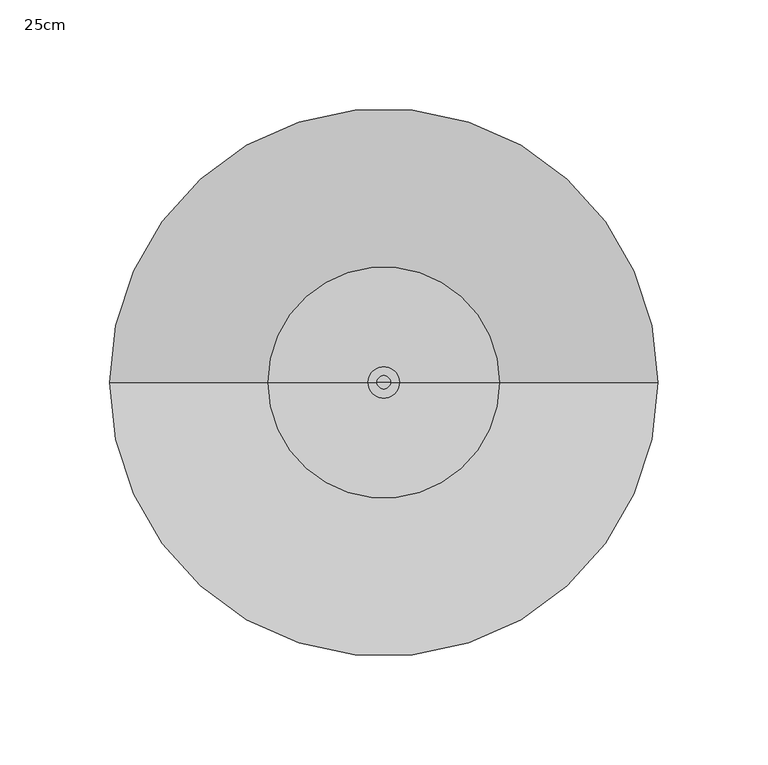
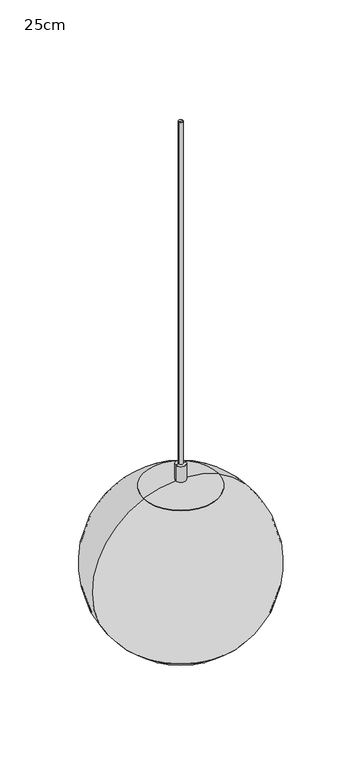
"""IFC4 building model written with IfcOpenShell, lengths in millimetres: furniture geometry, 25cm."""

import ifcopenshell
import ifcopenshell.guid

model = None  # the IFC model being written
_history = None  # IfcOwnerHistory: only IFC2X3 demands one
_inside = {}  # id of a spatial element -> (the spatial element, [elements in it])
_under = {}  # id of a project, library or spatial element -> (it, [spatial elements below it])
_declared = {}  # id of a project -> (the project, [libraries it declares])
_typed = {}  # id of a type object -> (the type object, [elements of that type])
_made_of = {}  # id of a material, layer set ... -> (it, [elements and type objects made of it])


def new_model(schema):
    """Start an empty IFC model of exactly this schema.

    Asked for "IFC4X3", IfcOpenShell would pick the latest addendum, in which some entities
    have other attributes; the version numbers below select the first issue.
    IFC2X3 requires an IfcOwnerHistory on every rooted entity: one is made here for all.
    """
    global model, _history
    if schema == "IFC4X3":
        model = ifcopenshell.file(schema_version=(4, 3, 0, 0))
    else:
        model = ifcopenshell.file(schema=schema)
    _inside.clear()
    _under.clear()
    _declared.clear()
    _typed.clear()
    _made_of.clear()
    _history = None
    if model.schema == "IFC2X3":
        org = make("IfcOrganization", Name="unknown")
        user = make(
            "IfcPersonAndOrganization",
            ThePerson=make("IfcPerson", FamilyName="unknown"),
            TheOrganization=org,
        )
        app = make(
            "IfcApplication",
            ApplicationDeveloper=org,
            Version="unknown",
            ApplicationFullName="unknown",
            ApplicationIdentifier="unknown",
        )
        _history = make(
            "IfcOwnerHistory",
            OwningUser=user,
            OwningApplication=app,
            ChangeAction="ADDED",
            CreationDate=0,
        )
    return model


def make(cls, **values):
    """One entity of the class cls with the attributes given. An attribute that is None is left unset."""
    return model.create_entity(
        cls, **{name: value for name, value in values.items() if value is not None}
    )


def rooted(cls, **values):
    """An entity with a GlobalId (a new one), such as an element, a storey or a relation."""
    return make(cls, GlobalId=ifcopenshell.guid.new(), OwnerHistory=_history, **values)


def si_unit(unit_type, name, prefix=None):
    """IfcSIUnit, for example si_unit("LENGTHUNIT", "METRE", prefix="MILLI")."""
    return make("IfcSIUnit", UnitType=unit_type, Prefix=prefix, Name=name)


def assignment(units):
    """IfcUnitAssignment: the units of a project."""
    return None if units is None else make("IfcUnitAssignment", Units=units)


def point(xyz):
    """IfcCartesianPoint."""
    return None if xyz is None else make("IfcCartesianPoint", Coordinates=xyz)


def direction(xyz):
    """IfcDirection."""
    return None if xyz is None else make("IfcDirection", DirectionRatios=xyz)


def frame(location, z_axis=None, x_axis=None):
    """IfcAxis2Placement3D, a coordinate frame: its origin and axes. An axis left out is left unset."""
    return make(
        "IfcAxis2Placement3D",
        Location=point(location),
        Axis=direction(z_axis),
        RefDirection=direction(x_axis),
    )


def origin():
    """The frame at (0, 0, 0) with its axes left unset."""
    return frame((0.0, 0.0, 0.0))


def place(relative_to, where):
    """IfcLocalPlacement: puts the frame where relative to a parent placement (None: the world)."""
    return make(
        "IfcLocalPlacement", PlacementRelTo=relative_to, RelativePlacement=where
    )


def context(
    kind, dimensions, precision=None, world=None, true_north=None, identifier=None
):
    """IfcGeometricRepresentationContext, for example the 3D "Model" context."""
    return make(
        "IfcGeometricRepresentationContext",
        ContextIdentifier=identifier,
        ContextType=kind,
        CoordinateSpaceDimension=dimensions,
        Precision=precision,
        WorldCoordinateSystem=world,
        TrueNorth=true_north,
    )


def project(units=None, contexts=None):
    """IfcProject with its units and contexts."""
    return rooted(
        "IfcProject",
        Name="project",
        RepresentationContexts=contexts,
        UnitsInContext=assignment(units),
    )


def spatial(cls, under=None, at=None, **own):
    """A site, building, storey or space (cls), placed at a placement, below another one or the project."""
    s = rooted(cls, ObjectPlacement=at, **own)
    if under is not None:
        _under.setdefault(under.id(), (under, []))[1].append(s)
    return s


def polyline(points):
    """IfcPolyline through the points."""
    return make("IfcPolyline", Points=[point(p) for p in points])


def circle_curve(where, radius):
    """IfcCircle in the frame where."""
    return make("IfcCircle", Position=where, Radius=radius)


def ellipse_curve(where, semi_axis1, semi_axis2):
    """IfcEllipse in the frame where."""
    return make(
        "IfcEllipse", Position=where, SemiAxis1=semi_axis1, SemiAxis2=semi_axis2
    )


def trimmed(basis, trim1, trim2, sense, master):
    """IfcTrimmedCurve: the piece of a basis curve between two trims."""
    return make(
        "IfcTrimmedCurve",
        BasisCurve=basis,
        Trim1=trim1,
        Trim2=trim2,
        SenseAgreement=sense,
        MasterRepresentation=master,
    )


def shape(context_of_items, identifier, shape_type, items):
    """IfcShapeRepresentation: the items that make up one representation, for example the "Body"."""
    return make(
        "IfcShapeRepresentation",
        ContextOfItems=context_of_items,
        RepresentationIdentifier=identifier,
        RepresentationType=shape_type,
        Items=items,
    )


def source(mapping_origin, context_of_items, identifier, shape_type, items):
    """IfcRepresentationMap: a shape defined once, which mapped items show again and again."""
    return make(
        "IfcRepresentationMap",
        MappingOrigin=mapping_origin,
        MappedRepresentation=shape(context_of_items, identifier, shape_type, items),
    )


def transform(
    local_origin,
    x_axis=None,
    y_axis=None,
    z_axis=None,
    scale=None,
    scale2=None,
    scale3=None,
    uniform=True,
):
    """IfcCartesianTransformationOperator3D, or its non-uniform kind. x_axis, y_axis, z_axis: its Axis1, 2, 3."""
    if uniform:
        return make(
            "IfcCartesianTransformationOperator3D",
            Axis1=direction(x_axis),
            Axis2=direction(y_axis),
            LocalOrigin=point(local_origin),
            Scale=scale,
            Axis3=direction(z_axis),
        )
    return make(
        "IfcCartesianTransformationOperator3DnonUniform",
        Axis1=direction(x_axis),
        Axis2=direction(y_axis),
        LocalOrigin=point(local_origin),
        Scale=scale,
        Axis3=direction(z_axis),
        Scale2=scale2,
        Scale3=scale3,
    )


def mapped(mapping_source, mapping_target):
    """IfcMappedItem: shows the shape of a source again, moved by a transform."""
    return make(
        "IfcMappedItem", MappingSource=mapping_source, MappingTarget=mapping_target
    )


def made_of(thing, what):
    """Note that an element or type object is made of a material, layer set ...; save() writes the relation."""
    if what is not None:
        _made_of.setdefault(what.id(), (what, []))[1].append(thing)
    return thing


def element(
    cls,
    number,
    at=None,
    inside=None,
    cuts=None,
    type_object=None,
    material=None,
    context=None,
    identifier="Body",
    shape_type=None,
    held_by="IfcProductDefinitionShape",
    body=None,
    shapes=None,
    **own,
):
    """One element of the class cls, such as IfcWall. Its Tag is "e" and its number.

    at: its placement. inside: the storey or other place that contains it. cuts: it is an
    opening in that element (IfcRelVoidsElement). A single representation is given by context,
    identifier, shape_type and body (its items); several are given by shapes. held_by: the class
    of the entity that holds the representations. save() writes the other relations.
    """
    e = rooted(cls, Tag="e%d" % number, ObjectPlacement=at, **own)
    if body is not None:
        shapes = [shape(context, identifier, shape_type, body)]
    if shapes is not None:
        e.Representation = make(held_by, Representations=shapes)
    if inside is not None:
        _inside.setdefault(inside.id(), (inside, []))[1].append(e)
    if cuts is not None:
        rooted(
            "IfcRelVoidsElement", RelatingBuildingElement=cuts, RelatedOpeningElement=e
        )
    if type_object is not None:
        _typed.setdefault(type_object.id(), (type_object, []))[1].append(e)
    return made_of(e, material)


def aggregate(whole, parts):
    """IfcRelAggregates: a whole, such as a stair, and the parts it consists of."""
    return rooted("IfcRelAggregates", RelatingObject=whole, RelatedObjects=parts)


def save(model, path):
    """Write the relations noted so far, then the file.

    IfcRelAggregates (storeys below a building ...), IfcRelContainedInSpatialStructure (elements
    in a storey), IfcRelDefinesByType, IfcRelAssociatesMaterial and IfcRelDeclares: one each for
    every whole, place, type object, material and project.
    """
    for whole, parts in _under.values():
        aggregate(whole, parts)
    for where, things in _inside.values():
        rooted(
            "IfcRelContainedInSpatialStructure",
            RelatedElements=things,
            RelatingStructure=where,
        )
    for kind, things in _typed.values():
        rooted("IfcRelDefinesByType", RelatedObjects=things, RelatingType=kind)
    for what, things in _made_of.values():
        rooted("IfcRelAssociatesMaterial", RelatedObjects=things, RelatingMaterial=what)
    for by, libraries in _declared.values():
        rooted("IfcRelDeclares", RelatingContext=by, RelatedDefinitions=libraries)
    model.write(path)


def plane_surface(at):
    """IfcPlane: the flat surface through the origin of the frame at, square to its z axis."""
    return make("IfcPlane", Position=at)


def cylinder_surface(at, radius):
    """IfcCylindricalSurface: all points at the distance radius from the z axis of the frame at."""
    return make("IfcCylindricalSurface", Position=at, Radius=radius)


def revolved_surface(curve, axis_point, axis_direction):
    """IfcSurfaceOfRevolution: the curve turned about the line through axis_point along axis_direction."""
    return make(
        "IfcSurfaceOfRevolution",
        SweptCurve=make("IfcArbitraryOpenProfileDef", ProfileType="CURVE", Curve=curve),
        AxisPosition=make("IfcAxis1Placement", Location=point(axis_point), Axis=direction(axis_direction)),
    )


def advanced_brep(points, edges, surfaces, faces):
    """IfcAdvancedBrep: a solid bounded by faces that lie on surfaces and meet in shared edges.

    An edge is (start, end): straight between two places in points (the first is 0);
    or (start, end, curve); or (start, end, curve, False) where it runs against its curve.
    A face is (place in surfaces, loops), or (place, loops, False) where it looks against
    its surface's normal. A loop lists edges by number (the first is 1), with a minus sign
    where the edge is run from its end to its start. The first loop is the outer one.
    """
    corners = [point(p) for p in points]
    vertices = [make("IfcVertexPoint", VertexGeometry=c) for c in corners]
    made = []
    for start, end, *more in edges:
        made.append(
            make(
                "IfcEdgeCurve",
                EdgeStart=vertices[start],
                EdgeEnd=vertices[end],
                EdgeGeometry=more[0] if more else make("IfcPolyline", Points=[corners[start], corners[end]]),
                SameSense=more[1] if len(more) > 1 else True,
            )
        )
    hull = []
    for where, loops, *sense in faces:
        bounds = []
        for j, loop in enumerate(loops):
            ring = [make("IfcOrientedEdge", EdgeElement=made[abs(k) - 1], Orientation=k > 0) for k in loop]
            bounds.append(
                make(
                    "IfcFaceOuterBound" if j == 0 else "IfcFaceBound",
                    Bound=make("IfcEdgeLoop", EdgeList=ring),
                    Orientation=True,
                )
            )
        hull.append(make("IfcAdvancedFace", Bounds=bounds, FaceSurface=surfaces[where], SameSense=sense[0] if sense else True))
    return make("IfcAdvancedBrep", Outer=make("IfcClosedShell", CfsFaces=hull))


def furniture_25cm_6afa1fbb(model_context):
    return source(origin(), model_context, "Body", "AdvancedBrep", [
        advanced_brep(
        [(86.9454626, 0.0, 1999.2667461), (-86.9454626, 0.0, 1999.2667461), (0.0, 0.0, 1963.6711697), (88.3882398, 0.0, 1999.2667461), (-88.3882398, 0.0, 1999.2667461), (0.0, 0.0, 1962.6551697)],
        [
            (0, 1, circle_curve(frame((0.0, 0.0, 1999.2667461), z_axis=(0.0, 0.0, 1.0), x_axis=(-1.0, 0.0, 0.0)), 86.9454626)),
            (1, 2, circle_curve(frame((-5.66e-05, 0.0, 2087.654956), z_axis=(0.0, -1.0, 0.0), x_axis=(1.0, 0.0, 0.0)), 123.9837863)),
            (2, 0, circle_curve(frame((5.66e-05, 0.0, 2087.654956), z_axis=(0.0, -1.0, 0.0), x_axis=(-1.0, 0.0, 0.0)), 123.9837863)),
            (1, 0, circle_curve(frame((0.0, 0.0, 1999.2667461), z_axis=(0.0, 0.0, 1.0), x_axis=(-1.0, 0.0, 0.0)), 86.9454626)),
            (3, 4, circle_curve(frame((0.0, 0.0, 1999.2667461), z_axis=(0.0, 0.0, 1.0), x_axis=(-1.0, 0.0, 0.0)), 88.3882398)),
            (4, 1),
            (0, 3),
            (4, 3, circle_curve(frame((0.0, 0.0, 1999.2667461), z_axis=(0.0, 0.0, 1.0), x_axis=(-1.0, 0.0, 0.0)), 88.3882398)),
            (5, 4, circle_curve(frame((-5.66e-05, 0.0, 2087.654956), z_axis=(0.0, 1.0, 0.0), x_axis=(1.0, 0.0, 0.0)), 124.9997863)),
            (3, 5, circle_curve(frame((5.66e-05, 0.0, 2087.654956), z_axis=(0.0, 1.0, 0.0), x_axis=(-1.0, 0.0, 0.0)), 124.9997863)),
        ],
        [
            revolved_surface(trimmed(ellipse_curve(frame((-5.66e-05, 0.0, 2087.654956), z_axis=(0.0, 1.0, 0.0), x_axis=(1.0, 0.0, 0.0)), 123.9837863, 123.9837863), [point((0.0, 0.0, 1963.6711697))], [point((-86.9454626, 0.0, 1999.2667461))], True, "CARTESIAN"), (0.0, 0.0, 1960.4433977), (0.0, 0.0, -1.0)),
            plane_surface(frame((0.0, 0.0, 1999.2667461), z_axis=(0.0, 0.0, 1.0), x_axis=(-1.0, 0.0, 0.0))),
            revolved_surface(trimmed(ellipse_curve(frame((-5.66e-05, 0.0, 2087.654956), z_axis=(0.0, -1.0, 0.0), x_axis=(1.0, 0.0, 0.0)), 124.9997863, 124.9997863), [point((-88.3882398, 0.0, 1999.2667461))], [point((0.0, 0.0, 1962.6551697))], True, "CARTESIAN"), (0.0, 0.0, 1960.4433977), (0.0, 0.0, -1.0)),
        ],
        [
            (0, [[1, 2, 3]]),
            (0, [[4, -3, -2]]),
            (1, [[5, 6, -1, 7]]),
            (1, [[8, -7, -4, -6]]),
            (2, [[9, -5, 10]]),
            (2, [[-10, -8, -9]]),
        ],
    ),
        advanced_brep(
        [(7.1339359, 0.0, 2235.2), (-7.1339359, 0.0, 2235.2), (0.0, 0.0, 2235.2), (7.1339359, 0.0, 2211.9574615), (-7.1339359, 0.0, 2211.9574615), (52.5595398, 0.0, 2202.0782806), (-52.5595398, 0.0, 2202.0782806), (52.3137471, 0.0, 2201.0924602), (-52.3137471, 0.0, 2201.0924602), (88.3882398, 0.0, 1999.2667461), (-88.3882398, 0.0, 1999.2667461), (86.9548851, 0.0, 1999.2667461), (-86.9548851, 0.0, 1999.2667461), (50.7799769, 0.0, 2200.6824982), (-50.7799769, 0.0, 2200.6824982), (18.793714, 0.0, 2200.6824982), (-18.793714, 0.0, 2200.6824982), (21.1385136, 0.0, 2194.8299691), (-21.1385136, 0.0, 2194.8299691), (21.1385136, 0.0, 2149.8797485), (-21.1385136, 0.0, 2149.8797485), (16.6210613, 0.0, 2149.8797485), (-16.6210613, 0.0, 2149.8797485), (16.6210613, 0.0, 2166.3926422), (-16.6210613, 0.0, 2166.3926422), (0.0, 0.0, 2166.3926422)],
        [
            (0, 1, circle_curve(frame((0.0, 0.0, 2235.2), z_axis=(0.0, 0.0, 1.0), x_axis=(-1.0, 0.0, 0.0)), 7.1339359)),
            (1, 2),
            (2, 0),
            (1, 0, circle_curve(frame((0.0, 0.0, 2235.2), z_axis=(0.0, 0.0, 1.0), x_axis=(-1.0, 0.0, 0.0)), 7.1339359)),
            (3, 4, circle_curve(frame((0.0, 0.0, 2211.9574615), z_axis=(0.0, 0.0, 1.0), x_axis=(-1.0, 0.0, 0.0)), 7.1339359)),
            (4, 1),
            (0, 3),
            (4, 3, circle_curve(frame((0.0, 0.0, 2211.9574615), z_axis=(0.0, 0.0, 1.0), x_axis=(-1.0, 0.0, 0.0)), 7.1339359)),
            (5, 6, circle_curve(frame((0.0, 0.0, 2202.0782806), z_axis=(0.0, 0.0, 1.0), x_axis=(-1.0, 0.0, 0.0)), 52.5595398)),
            (6, 4, circle_curve(frame((1.5633187, 0.0, 2062.5908381), z_axis=(0.0, 1.0, 0.0), x_axis=(1.0, 0.0, 0.0)), 149.6196192)),
            (3, 5, circle_curve(frame((-1.5633187, 0.0, 2062.5908381), z_axis=(0.0, 1.0, 0.0), x_axis=(-1.0, 0.0, 0.0)), 149.6196192)),
            (6, 5, circle_curve(frame((0.0, 0.0, 2202.0782806), z_axis=(0.0, 0.0, 1.0), x_axis=(-1.0, 0.0, 0.0)), 52.5595398)),
            (7, 8, circle_curve(frame((0.0, 0.0, 2201.0924602), z_axis=(0.0, 0.0, 1.0), x_axis=(-1.0, 0.0, 0.0)), 52.3137471)),
            (8, 6),
            (5, 7),
            (8, 7, circle_curve(frame((0.0, 0.0, 2201.0924602), z_axis=(0.0, 0.0, 1.0), x_axis=(-1.0, 0.0, 0.0)), 52.3137471)),
            (9, 10, circle_curve(frame((0.0, 0.0, 1999.2667461), z_axis=(0.0, 0.0, 1.0), x_axis=(-1.0, 0.0, 0.0)), 88.3882398)),
            (10, 8, circle_curve(frame((0.9320489, 0.0, 2087.438414), z_axis=(0.0, 1.0, 0.0), x_axis=(1.0, 0.0, 0.0)), 125.5083942)),
            (7, 9, circle_curve(frame((-0.9320489, 0.0, 2087.438414), z_axis=(0.0, 1.0, 0.0), x_axis=(-1.0, 0.0, 0.0)), 125.5083942)),
            (10, 9, circle_curve(frame((0.0, 0.0, 1999.2667461), z_axis=(0.0, 0.0, 1.0), x_axis=(-1.0, 0.0, 0.0)), 88.3882398)),
            (11, 12, circle_curve(frame((0.0, 0.0, 1999.2667461), z_axis=(0.0, 0.0, 1.0), x_axis=(-1.0, 0.0, 0.0)), 86.9548851)),
            (12, 10),
            (9, 11),
            (12, 11, circle_curve(frame((0.0, 0.0, 1999.2667461), z_axis=(0.0, 0.0, 1.0), x_axis=(-1.0, 0.0, 0.0)), 86.9548851)),
            (13, 14, circle_curve(frame((0.0, 0.0, 2200.6824982), z_axis=(0.0, 0.0, 1.0), x_axis=(-1.0, 0.0, 0.0)), 50.7799769)),
            (14, 12, circle_curve(frame((0.9320489, 0.0, 2087.438414), z_axis=(0.0, -1.0, 0.0), x_axis=(1.0, 0.0, 0.0)), 124.4923942)),
            (11, 13, circle_curve(frame((-0.9320489, 0.0, 2087.438414), z_axis=(0.0, -1.0, 0.0), x_axis=(-1.0, 0.0, 0.0)), 124.4923942)),
            (14, 13, circle_curve(frame((0.0, 0.0, 2200.6824982), z_axis=(0.0, 0.0, 1.0), x_axis=(-1.0, 0.0, 0.0)), 50.7799769)),
            (15, 16, circle_curve(frame((0.0, 0.0, 2200.6824982), z_axis=(0.0, 0.0, 1.0), x_axis=(-1.0, 0.0, 0.0)), 18.793714)),
            (16, 14),
            (13, 15),
            (16, 15, circle_curve(frame((0.0, 0.0, 2200.6824982), z_axis=(0.0, 0.0, 1.0), x_axis=(-1.0, 0.0, 0.0)), 18.793714)),
            (17, 18, circle_curve(frame((0.0, 0.0, 2194.8299691), z_axis=(0.0, 0.0, 1.0), x_axis=(-1.0, 0.0, 0.0)), 21.1385136)),
            (18, 16),
            (15, 17),
            (18, 17, circle_curve(frame((0.0, 0.0, 2194.8299691), z_axis=(0.0, 0.0, 1.0), x_axis=(-1.0, 0.0, 0.0)), 21.1385136)),
            (19, 20, circle_curve(frame((0.0, 0.0, 2149.8797485), z_axis=(0.0, 0.0, 1.0), x_axis=(-1.0, 0.0, 0.0)), 21.1385136)),
            (20, 18),
            (17, 19),
            (20, 19, circle_curve(frame((0.0, 0.0, 2149.8797485), z_axis=(0.0, 0.0, 1.0), x_axis=(-1.0, 0.0, 0.0)), 21.1385136)),
            (21, 22, circle_curve(frame((0.0, 0.0, 2149.8797485), z_axis=(0.0, 0.0, 1.0), x_axis=(-1.0, 0.0, 0.0)), 16.6210613)),
            (22, 20),
            (19, 21),
            (22, 21, circle_curve(frame((0.0, 0.0, 2149.8797485), z_axis=(0.0, 0.0, 1.0), x_axis=(-1.0, 0.0, 0.0)), 16.6210613)),
            (23, 24, circle_curve(frame((0.0, 0.0, 2166.3926422), z_axis=(0.0, 0.0, 1.0), x_axis=(-1.0, 0.0, 0.0)), 16.6210613)),
            (24, 22),
            (21, 23),
            (24, 23, circle_curve(frame((0.0, 0.0, 2166.3926422), z_axis=(0.0, 0.0, 1.0), x_axis=(-1.0, 0.0, 0.0)), 16.6210613)),
            (25, 24),
            (23, 25),
        ],
        [
            plane_surface(frame((0.0, 0.0, 2235.2), z_axis=(0.0, 0.0, 1.0), x_axis=(-1.0, 0.0, 0.0))),
            cylinder_surface(frame((0.0, 0.0, 1912.9793864), z_axis=(0.0, 0.0, -1.0), x_axis=(-1.0, 0.0, 0.0)), 7.1339359),
            revolved_surface(trimmed(ellipse_curve(frame((1.5633187, 0.0, 2062.5908381), z_axis=(0.0, -1.0, 0.0), x_axis=(1.0, 0.0, 0.0)), 149.6196192, 149.6196192), [point((-7.1339359, 0.0, 2211.9574615))], [point((-52.5595398, 0.0, 2202.0782806))], True, "CARTESIAN"), (0.0, 0.0, 1912.9793864), (0.0, 0.0, -1.0)),
            revolved_surface(polyline([(-52.5595398, 0.0, 2202.0782806), (-52.3137471, 0.0, 2201.0924602)]), (0.0, 0.0, 1912.9793864), (0.0, 0.0, -1.0)),
            revolved_surface(trimmed(ellipse_curve(frame((0.9320489, 0.0, 2087.438414), z_axis=(0.0, -1.0, 0.0), x_axis=(1.0, 0.0, 0.0)), 125.5083942, 125.5083942), [point((-52.3137471, 0.0, 2201.0924602))], [point((-88.3882398, 0.0, 1999.2667461))], True, "CARTESIAN"), (0.0, 0.0, 1912.9793864), (0.0, 0.0, -1.0)),
            plane_surface(frame((0.0, 0.0, 1999.2667461), z_axis=(0.0, 0.0, -1.0), x_axis=(-1.0, 0.0, 0.0))),
            revolved_surface(trimmed(ellipse_curve(frame((0.9320489, 0.0, 2087.438414), z_axis=(0.0, 1.0, 0.0), x_axis=(1.0, 0.0, 0.0)), 124.4923942, 124.4923942), [point((-86.9548851, 0.0, 1999.2667461))], [point((-50.7799769, 0.0, 2200.6824982))], True, "CARTESIAN"), (0.0, 0.0, 1912.9793864), (0.0, 0.0, -1.0)),
            plane_surface(frame((0.0, 0.0, 2200.6824982), z_axis=(0.0, 0.0, -1.0), x_axis=(-1.0, 0.0, 0.0))),
            revolved_surface(polyline([(-18.793714, 0.0, 2200.6824982), (-21.1385136, 0.0, 2194.8299691)]), (0.0, 0.0, 1912.9793864), (0.0, 0.0, -1.0)),
            cylinder_surface(frame((0.0, 0.0, 1912.9793864), z_axis=(0.0, 0.0, -1.0), x_axis=(-1.0, 0.0, 0.0)), 21.1385136),
            plane_surface(frame((0.0, 0.0, 2149.8797485), z_axis=(0.0, 0.0, -1.0), x_axis=(-1.0, 0.0, 0.0))),
            revolved_surface(polyline([(-16.6210613, 0.0, 2149.8797485), (-16.6210613, 0.0, 2166.3926422)]), (0.0, 0.0, 1912.9793864), (0.0, 0.0, -1.0)),
            plane_surface(frame((0.0, 0.0, 2166.3926422), z_axis=(0.0, 0.0, -1.0), x_axis=(-1.0, 0.0, 0.0))),
        ],
        [
            (0, [[1, 2, 3]]),
            (0, [[4, -3, -2]]),
            (1, [[5, 6, -1, 7]]),
            (1, [[8, -7, -4, -6]]),
            (2, [[9, 10, -5, 11]]),
            (2, [[12, -11, -8, -10]]),
            (3, [[13, 14, -9, 15]]),
            (3, [[16, -15, -12, -14]]),
            (4, [[17, 18, -13, 19]]),
            (4, [[20, -19, -16, -18]]),
            (5, [[21, 22, -17, 23]]),
            (5, [[24, -23, -20, -22]]),
            (6, [[25, 26, -21, 27]]),
            (6, [[28, -27, -24, -26]]),
            (7, [[29, 30, -25, 31]]),
            (7, [[32, -31, -28, -30]]),
            (8, [[33, 34, -29, 35]]),
            (8, [[36, -35, -32, -34]]),
            (9, [[37, 38, -33, 39]]),
            (9, [[40, -39, -36, -38]]),
            (10, [[41, 42, -37, 43]]),
            (10, [[44, -43, -40, -42]]),
            (11, [[45, 46, -41, 47]]),
            (11, [[48, -47, -44, -46]]),
            (12, [[49, -45, 50]]),
            (12, [[-50, -48, -49]]),
        ],
    ),
        advanced_brep(
        [(3.0304241, 0.0, 2743.2), (-3.0304241, 0.0, 2743.2), (0.0, 0.0, 2743.2), (3.0304241, 0.0, 2235.2), (-3.0304241, 0.0, 2235.2), (0.0, 0.0, 2235.2)],
        [
            (0, 1, circle_curve(frame((0.0, 0.0, 2743.2), z_axis=(0.0, 0.0, 1.0), x_axis=(-1.0, 0.0, 0.0)), 3.0304241)),
            (1, 2),
            (2, 0),
            (1, 0, circle_curve(frame((0.0, 0.0, 2743.2), z_axis=(0.0, 0.0, 1.0), x_axis=(-1.0, 0.0, 0.0)), 3.0304241)),
            (3, 4, circle_curve(frame((0.0, 0.0, 2235.2), z_axis=(0.0, 0.0, 1.0), x_axis=(-1.0, 0.0, 0.0)), 3.0304241)),
            (4, 1),
            (0, 3),
            (4, 3, circle_curve(frame((0.0, 0.0, 2235.2), z_axis=(0.0, 0.0, 1.0), x_axis=(-1.0, 0.0, 0.0)), 3.0304241)),
            (5, 4),
            (3, 5),
        ],
        [
            plane_surface(frame((0.0, 0.0, 2743.2), z_axis=(0.0, 0.0, 1.0), x_axis=(-1.0, 0.0, 0.0))),
            cylinder_surface(frame((0.0, 0.0, 2878.6288111), z_axis=(0.0, 0.0, -1.0), x_axis=(-1.0, 0.0, 0.0)), 3.0304241),
            plane_surface(frame((0.0, 0.0, 2235.2), z_axis=(0.0, 0.0, -1.0), x_axis=(-1.0, 0.0, 0.0))),
        ],
        [
            (0, [[1, 2, 3]]),
            (0, [[4, -3, -2]]),
            (1, [[5, 6, -1, 7]]),
            (1, [[8, -7, -4, -6]]),
            (2, [[9, -5, 10]]),
            (2, [[-10, -8, -9]]),
        ],
    ),
    ])


if __name__ == "__main__":
    model = new_model("IFC4")
    model_context = context("Model", 3, world=origin())
    ifc_project = project(units=[si_unit("LENGTHUNIT", "METRE", prefix="MILLI")], contexts=[model_context])
    site = spatial("IfcSite", under=ifc_project)
    building = spatial("IfcBuilding", under=site)
    placement = place(None, origin())
    furniture_25cm_shape = furniture_25cm_6afa1fbb(model_context)
    element("IfcFurniture", 1, ObjectType="25cm", at=placement, inside=building, context=model_context, shape_type="MappedRepresentation", body=[
        mapped(furniture_25cm_shape, transform((0.0, 0.0, 0.0), x_axis=(1.0, 0.0, 0.0), y_axis=(0.0, 1.0, 0.0), z_axis=(0.0, 0.0, 1.0))),
    ])
    save(model, "model.ifc")
